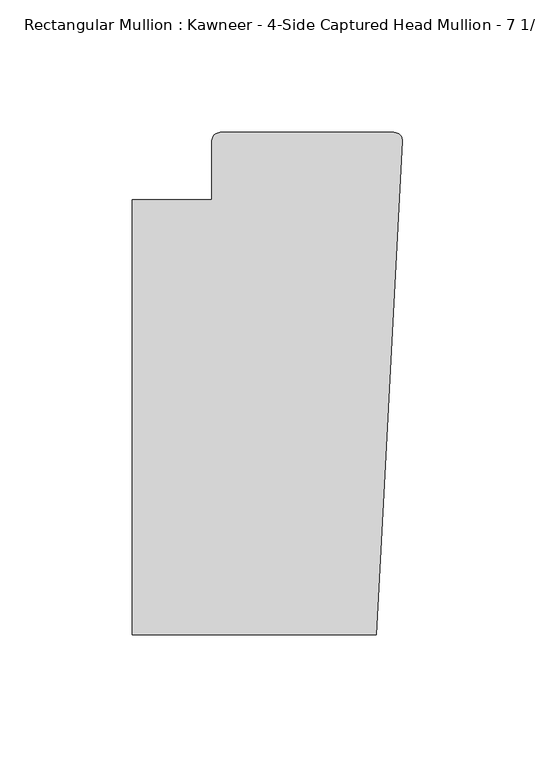
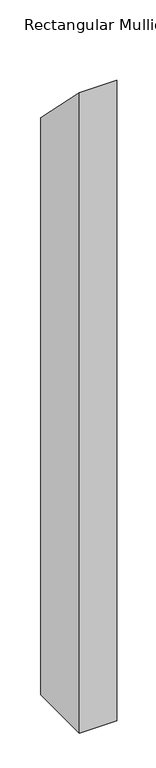
"""IFC4 building model written with IfcOpenShell, lengths in millimetres: member geometry."""

from ifc_helpers import new_model, si_unit, frame, origin, place, context, project, spatial, circle_curve, ellipse_curve, source, transform, mapped, element, save
from ifc_brep_helpers import plane_surface, cylinder_surface, advanced_brep


def member_5d728a48(model_context):
    return source(origin(), model_context, "Body", "AdvancedBrep", [
        advanced_brep(
        [(-9.7860662, -151.892, -1516.358135), (-102.08978, -151.892, -1516.358135), (-102.08978, 12.7, -1516.358135), (-71.9739395, 12.7, -1516.358135), (-71.9739395, 34.9099677, -1516.358135), (-68.798975, 38.0999944, -1516.358135), (-3.175, 38.0999944, -1516.358135), (-0.006635, 34.7198406, -1516.358135), (-6.9873394, -98.4891117, -1516.358135), (-6.9873394, -98.4891117, 98.4891117), (-9.7860662, -151.892, 151.892), (-0.0061551, 34.7198154, -34.7198406), (-3.175, 38.0999944, -38.0999944), (-68.798975, 38.0999944, -38.0999944), (-71.9739395, 34.9099677, -34.9099677), (-71.9739395, 12.7, -12.7), (-102.08978, 12.7, -12.7), (-102.08978, -151.892, 151.892)],
        [
            (0, 1),
            (1, 2),
            (2, 3),
            (3, 4),
            (4, 5, circle_curve(frame((-68.798975, 34.9249944, -1516.358135), z_axis=(0.0, 0.0, -1.0), x_axis=(-0.9999888001458095, -0.004732819766726053, 0.0)), 3.175)),
            (5, 6),
            (6, 7, circle_curve(frame((-3.175, 34.9249944, -1516.358135), z_axis=(0.0, 0.0, -1.0), x_axis=(0.0, 1.0, 0.0)), 3.175)),
            (7, 8),
            (8, 0),
            (9, 10),
            (10, 0),
            (8, 9),
            (11, 9),
            (7, 11),
            (12, 11, ellipse_curve(frame((-3.175, 34.9249944, -34.9249944), z_axis=(0.0, -0.7071067811865482, -0.7071067811865468), x_axis=(0.0, -0.7071067811865469, 0.7071067811865482)), 4.4901281, 3.175)),
            (6, 12),
            (13, 12),
            (5, 13),
            (14, 13, ellipse_curve(frame((-68.798975, 34.9249944, -34.9249944), z_axis=(0.0, -0.7071067811865482, -0.7071067811865468), x_axis=(0.0, -0.7071067811865469, 0.7071067811865482)), 4.4901281, 3.175)),
            (4, 14),
            (15, 14),
            (3, 15),
            (16, 15),
            (2, 16),
            (17, 16),
            (1, 17),
            (10, 17),
        ],
        [
            plane_surface(frame((0.0, -183.0123025, -1516.358135), z_axis=(0.0, 0.0, -1.0), x_axis=(-1.0, 0.0, 0.0))),
            plane_surface(frame((-9.7860662, -151.892, 0.0), z_axis=(0.9986295347545738, -0.052335956242944896, 0.0), x_axis=(0.0, 0.0, -1.0))),
            plane_surface(frame((-6.9873394, -98.4891117, 0.0), z_axis=(0.9986295346400468, -0.05233595842825238, 0.0), x_axis=(0.0, 0.0, -1.0))),
            cylinder_surface(frame((-3.175, 34.9249944, 0.0), z_axis=(0.0, 0.0, 1.0), x_axis=(0.0, 1.0, 0.0)), 3.175),
            plane_surface(frame((-3.175, 38.0999944, 0.0), z_axis=(0.0, 1.0, 0.0), x_axis=(0.0, 0.0, -1.0))),
            cylinder_surface(frame((-68.798975, 34.9249944, 0.0), z_axis=(0.0, 0.0, 1.0), x_axis=(-0.9999888001458095, -0.004732819766726053, 0.0)), 3.175),
            plane_surface(frame((-71.9739395, 34.9099677, 0.0), z_axis=(-1.0, 0.0, 0.0), x_axis=(0.0, 0.0, -1.0))),
            plane_surface(frame((-71.9739395, 12.7, 0.0), z_axis=(0.0, 1.0, 0.0), x_axis=(0.0, 0.0, -1.0))),
            plane_surface(frame((-102.08978, 12.7, 0.0), z_axis=(-1.0, 0.0, 0.0), x_axis=(0.0, 0.0, -1.0))),
            plane_surface(frame((-102.08978, -151.892, 0.0), z_axis=(0.0, -1.0, 0.0), x_axis=(0.0, 0.0, -1.0))),
            plane_surface(frame((-304.8, 0.0, 0.0), z_axis=(0.0, 0.7071067811865482, 0.7071067811865468), x_axis=(0.0, 0.7071067811865468, -0.7071067811865482))),
        ],
        [
            (0, [[1, 2, 3, 4, 5, 6, 7, 8, 9]]),
            (1, [[10, 11, -9, 12]]),
            (2, [[13, -12, -8, 14]]),
            (3, [[15, -14, -7, 16]]),
            (4, [[17, -16, -6, 18]]),
            (5, [[19, -18, -5, 20]]),
            (6, [[21, -20, -4, 22]]),
            (7, [[23, -22, -3, 24]]),
            (8, [[25, -24, -2, 26]]),
            (9, [[27, -26, -1, -11]]),
            (10, [[-10, -13, -15, -17, -19, -21, -23, -25, -27]]),
        ],
    ),
    ])


if __name__ == "__main__":
    model = new_model("IFC4")
    model_context = context("Model", 3, world=origin())
    ifc_project = project(units=[si_unit("LENGTHUNIT", "METRE", prefix="MILLI")], contexts=[model_context])
    site = spatial("IfcSite", under=ifc_project)
    building = spatial("IfcBuilding", under=site)
    placement = place(None, origin())
    member_shape = member_5d728a48(model_context)
    element("IfcMember", 1, ObjectType="Rectangular Mullion : Kawneer - 4-Side Captured Head Mullion - 7 1/2\"", at=placement, inside=building, context=model_context, shape_type="MappedRepresentation", body=[
        mapped(member_shape, transform((0.0, 0.0, 0.0), x_axis=(1.0, 0.0, 0.0), y_axis=(0.0, 1.0, 0.0), z_axis=(0.0, 0.0, 1.0))),
    ])
    save(model, "model.ifc")
